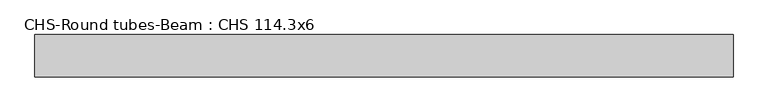
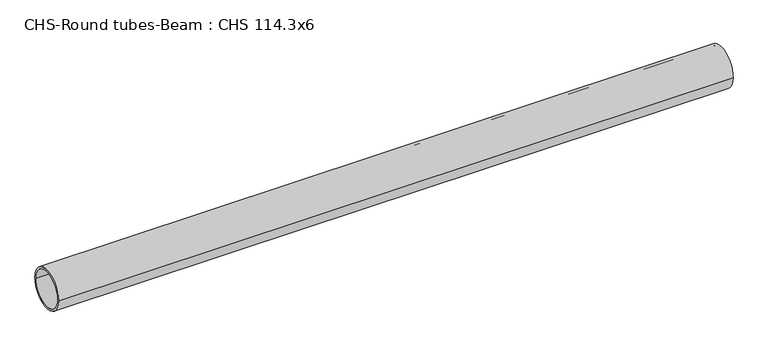
"""IFC4 building model written with IfcOpenShell, lengths in millimetres: beam geometry, CHS-Round tubes-Beam : CHS 114.3x6."""

from ifc_helpers import new_model, si_unit, point, frame, origin, origin_2d, place, context, project, spatial, circle_curve, trimmed, segment, composite_curve, outline, extrude, source, transform, mapped, element, save


def chs_round_tubes_beam_chs_114_3x6_ed40318f(model_context):
    return source(origin(), model_context, "Body", "SweptSolid", [
        extrude(outline(composite_curve([segment(trimmed(circle_curve(origin_2d(), 57.15), [point((57.15, 0.0))], [point((-57.15, 0.0))], False, "CARTESIAN"), True, "CONTINUOUS"), segment(trimmed(circle_curve(origin_2d(), 57.15), [point((-57.15, 0.0))], [point((57.15, 0.0))], False, "CARTESIAN"), True, "CONTINUOUS")], self_intersect=False), holes=[composite_curve([segment(trimmed(circle_curve(origin_2d(), 51.15), [point((51.15, 0.0))], [point((-51.15, 0.0))], True, "CARTESIAN"), True, "CONTINUOUS"), segment(trimmed(circle_curve(origin_2d(), 51.15), [point((-51.15, 0.0))], [point((51.15, 0.0))], True, "CARTESIAN"), True, "CONTINUOUS")], self_intersect=False)]), frame((-949.2222249, 0.0, 0.0), z_axis=(1.0, 0.0, 0.0), x_axis=(0.0, 1.0, 0.0)), (0.0, 0.0, 1.0), 1886.3496458),
    ])


if __name__ == "__main__":
    model = new_model("IFC4")
    model_context = context("Model", 3, world=origin())
    ifc_project = project(units=[si_unit("LENGTHUNIT", "METRE", prefix="MILLI")], contexts=[model_context])
    site = spatial("IfcSite", under=ifc_project)
    building = spatial("IfcBuilding", under=site)
    placement = place(None, origin())
    chs_round_tubes_beam_chs_114_3x6_shape = chs_round_tubes_beam_chs_114_3x6_ed40318f(model_context)
    element("IfcBeam", 1, ObjectType="CHS-Round tubes-Beam : CHS 114.3x6", at=placement, inside=building, context=model_context, shape_type="MappedRepresentation", body=[
        mapped(chs_round_tubes_beam_chs_114_3x6_shape, transform((0.0, 0.0, 0.0), x_axis=(1.0, 0.0, 0.0), y_axis=(0.0, 1.0, 0.0), z_axis=(0.0, 0.0, 1.0))),
    ])
    save(model, "model.ifc")
